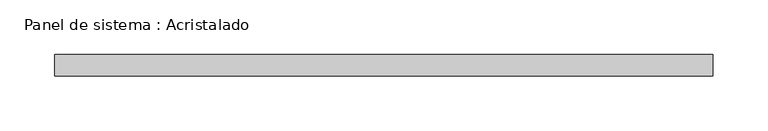
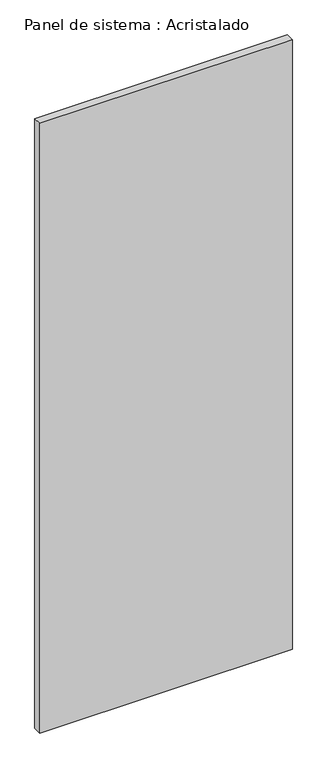
"""IFC4 building model written with IfcOpenShell, lengths in millimetres: plate geometry, Panel de sistema : Acristalado."""

import ifcopenshell
import ifcopenshell.guid

model = None  # the IFC model being written
_history = None  # IfcOwnerHistory: only IFC2X3 demands one
_inside = {}  # id of a spatial element -> (the spatial element, [elements in it])
_under = {}  # id of a project, library or spatial element -> (it, [spatial elements below it])
_declared = {}  # id of a project -> (the project, [libraries it declares])
_typed = {}  # id of a type object -> (the type object, [elements of that type])
_made_of = {}  # id of a material, layer set ... -> (it, [elements and type objects made of it])


def new_model(schema):
    """Start an empty IFC model of exactly this schema.

    Asked for "IFC4X3", IfcOpenShell would pick the latest addendum, in which some entities
    have other attributes; the version numbers below select the first issue.
    IFC2X3 requires an IfcOwnerHistory on every rooted entity: one is made here for all.
    """
    global model, _history
    if schema == "IFC4X3":
        model = ifcopenshell.file(schema_version=(4, 3, 0, 0))
    else:
        model = ifcopenshell.file(schema=schema)
    _inside.clear()
    _under.clear()
    _declared.clear()
    _typed.clear()
    _made_of.clear()
    _history = None
    if model.schema == "IFC2X3":
        org = make("IfcOrganization", Name="unknown")
        user = make(
            "IfcPersonAndOrganization",
            ThePerson=make("IfcPerson", FamilyName="unknown"),
            TheOrganization=org,
        )
        app = make(
            "IfcApplication",
            ApplicationDeveloper=org,
            Version="unknown",
            ApplicationFullName="unknown",
            ApplicationIdentifier="unknown",
        )
        _history = make(
            "IfcOwnerHistory",
            OwningUser=user,
            OwningApplication=app,
            ChangeAction="ADDED",
            CreationDate=0,
        )
    return model


def make(cls, **values):
    """One entity of the class cls with the attributes given. An attribute that is None is left unset."""
    return model.create_entity(
        cls, **{name: value for name, value in values.items() if value is not None}
    )


def rooted(cls, **values):
    """An entity with a GlobalId (a new one), such as an element, a storey or a relation."""
    return make(cls, GlobalId=ifcopenshell.guid.new(), OwnerHistory=_history, **values)


def si_unit(unit_type, name, prefix=None):
    """IfcSIUnit, for example si_unit("LENGTHUNIT", "METRE", prefix="MILLI")."""
    return make("IfcSIUnit", UnitType=unit_type, Prefix=prefix, Name=name)


def assignment(units):
    """IfcUnitAssignment: the units of a project."""
    return None if units is None else make("IfcUnitAssignment", Units=units)


def point(xyz):
    """IfcCartesianPoint."""
    return None if xyz is None else make("IfcCartesianPoint", Coordinates=xyz)


def direction(xyz):
    """IfcDirection."""
    return None if xyz is None else make("IfcDirection", DirectionRatios=xyz)


def frame(location, z_axis=None, x_axis=None):
    """IfcAxis2Placement3D, a coordinate frame: its origin and axes. An axis left out is left unset."""
    return make(
        "IfcAxis2Placement3D",
        Location=point(location),
        Axis=direction(z_axis),
        RefDirection=direction(x_axis),
    )


def origin():
    """The frame at (0, 0, 0) with its axes left unset."""
    return frame((0.0, 0.0, 0.0))


def origin_with_axes():
    """The frame at (0, 0, 0) with the z axis (0, 0, 1) and the x axis (1, 0, 0) written out."""
    return frame((0.0, 0.0, 0.0), z_axis=(0.0, 0.0, 1.0), x_axis=(1.0, 0.0, 0.0))


def place(relative_to, where):
    """IfcLocalPlacement: puts the frame where relative to a parent placement (None: the world)."""
    return make(
        "IfcLocalPlacement", PlacementRelTo=relative_to, RelativePlacement=where
    )


def context(
    kind, dimensions, precision=None, world=None, true_north=None, identifier=None
):
    """IfcGeometricRepresentationContext, for example the 3D "Model" context."""
    return make(
        "IfcGeometricRepresentationContext",
        ContextIdentifier=identifier,
        ContextType=kind,
        CoordinateSpaceDimension=dimensions,
        Precision=precision,
        WorldCoordinateSystem=world,
        TrueNorth=true_north,
    )


def project(units=None, contexts=None):
    """IfcProject with its units and contexts."""
    return rooted(
        "IfcProject",
        Name="project",
        RepresentationContexts=contexts,
        UnitsInContext=assignment(units),
    )


def spatial(cls, under=None, at=None, **own):
    """A site, building, storey or space (cls), placed at a placement, below another one or the project."""
    s = rooted(cls, ObjectPlacement=at, **own)
    if under is not None:
        _under.setdefault(under.id(), (under, []))[1].append(s)
    return s


def polyline(points):
    """IfcPolyline through the points."""
    return make("IfcPolyline", Points=[point(p) for p in points])


def outline(outer, holes=None, kind="AREA"):
    """IfcArbitraryClosedProfileDef: a profile drawn as a closed curve; with holes, ...WithVoids."""
    if holes is None:
        return make("IfcArbitraryClosedProfileDef", ProfileType=kind, OuterCurve=outer)
    return make(
        "IfcArbitraryProfileDefWithVoids",
        ProfileType=kind,
        OuterCurve=outer,
        InnerCurves=holes,
    )


def extrude(swept, where, along, depth):
    """IfcExtrudedAreaSolid: the profile swept, set in the frame where, extruded along a direction by depth."""
    return make(
        "IfcExtrudedAreaSolid",
        SweptArea=swept,
        Position=where,
        ExtrudedDirection=direction(along),
        Depth=depth,
    )


def shape(context_of_items, identifier, shape_type, items):
    """IfcShapeRepresentation: the items that make up one representation, for example the "Body"."""
    return make(
        "IfcShapeRepresentation",
        ContextOfItems=context_of_items,
        RepresentationIdentifier=identifier,
        RepresentationType=shape_type,
        Items=items,
    )


def source(mapping_origin, context_of_items, identifier, shape_type, items):
    """IfcRepresentationMap: a shape defined once, which mapped items show again and again."""
    return make(
        "IfcRepresentationMap",
        MappingOrigin=mapping_origin,
        MappedRepresentation=shape(context_of_items, identifier, shape_type, items),
    )


def transform(
    local_origin,
    x_axis=None,
    y_axis=None,
    z_axis=None,
    scale=None,
    scale2=None,
    scale3=None,
    uniform=True,
):
    """IfcCartesianTransformationOperator3D, or its non-uniform kind. x_axis, y_axis, z_axis: its Axis1, 2, 3."""
    if uniform:
        return make(
            "IfcCartesianTransformationOperator3D",
            Axis1=direction(x_axis),
            Axis2=direction(y_axis),
            LocalOrigin=point(local_origin),
            Scale=scale,
            Axis3=direction(z_axis),
        )
    return make(
        "IfcCartesianTransformationOperator3DnonUniform",
        Axis1=direction(x_axis),
        Axis2=direction(y_axis),
        LocalOrigin=point(local_origin),
        Scale=scale,
        Axis3=direction(z_axis),
        Scale2=scale2,
        Scale3=scale3,
    )


def mapped(mapping_source, mapping_target):
    """IfcMappedItem: shows the shape of a source again, moved by a transform."""
    return make(
        "IfcMappedItem", MappingSource=mapping_source, MappingTarget=mapping_target
    )


def made_of(thing, what):
    """Note that an element or type object is made of a material, layer set ...; save() writes the relation."""
    if what is not None:
        _made_of.setdefault(what.id(), (what, []))[1].append(thing)
    return thing


def element(
    cls,
    number,
    at=None,
    inside=None,
    cuts=None,
    type_object=None,
    material=None,
    context=None,
    identifier="Body",
    shape_type=None,
    held_by="IfcProductDefinitionShape",
    body=None,
    shapes=None,
    **own,
):
    """One element of the class cls, such as IfcWall. Its Tag is "e" and its number.

    at: its placement. inside: the storey or other place that contains it. cuts: it is an
    opening in that element (IfcRelVoidsElement). A single representation is given by context,
    identifier, shape_type and body (its items); several are given by shapes. held_by: the class
    of the entity that holds the representations. save() writes the other relations.
    """
    e = rooted(cls, Tag="e%d" % number, ObjectPlacement=at, **own)
    if body is not None:
        shapes = [shape(context, identifier, shape_type, body)]
    if shapes is not None:
        e.Representation = make(held_by, Representations=shapes)
    if inside is not None:
        _inside.setdefault(inside.id(), (inside, []))[1].append(e)
    if cuts is not None:
        rooted(
            "IfcRelVoidsElement", RelatingBuildingElement=cuts, RelatedOpeningElement=e
        )
    if type_object is not None:
        _typed.setdefault(type_object.id(), (type_object, []))[1].append(e)
    return made_of(e, material)


def aggregate(whole, parts):
    """IfcRelAggregates: a whole, such as a stair, and the parts it consists of."""
    return rooted("IfcRelAggregates", RelatingObject=whole, RelatedObjects=parts)


def save(model, path):
    """Write the relations noted so far, then the file.

    IfcRelAggregates (storeys below a building ...), IfcRelContainedInSpatialStructure (elements
    in a storey), IfcRelDefinesByType, IfcRelAssociatesMaterial and IfcRelDeclares: one each for
    every whole, place, type object, material and project.
    """
    for whole, parts in _under.values():
        aggregate(whole, parts)
    for where, things in _inside.values():
        rooted(
            "IfcRelContainedInSpatialStructure",
            RelatedElements=things,
            RelatingStructure=where,
        )
    for kind, things in _typed.values():
        rooted("IfcRelDefinesByType", RelatedObjects=things, RelatingType=kind)
    for what, things in _made_of.values():
        rooted("IfcRelAssociatesMaterial", RelatedObjects=things, RelatingMaterial=what)
    for by, libraries in _declared.values():
        rooted("IfcRelDeclares", RelatingContext=by, RelatedDefinitions=libraries)
    model.write(path)


def panel_de_sistema_acristalado_ab500654(model_context):
    return source(origin(), model_context, "Body", "SweptSolid", [
        extrude(outline(polyline([(301.5, -10.0), (-301.5, -10.0), (-301.5, 10.0), (301.5, 10.0), (301.5, -10.0)])), origin_with_axes(), (0.0, 0.0, 1.0), 1537.5081994),
    ])


if __name__ == "__main__":
    model = new_model("IFC4")
    model_context = context("Model", 3, world=origin())
    ifc_project = project(units=[si_unit("LENGTHUNIT", "METRE", prefix="MILLI")], contexts=[model_context])
    site = spatial("IfcSite", under=ifc_project)
    building = spatial("IfcBuilding", under=site)
    placement = place(None, origin())
    panel_de_sistema_acristalado_shape = panel_de_sistema_acristalado_ab500654(model_context)
    element("IfcPlate", 1, ObjectType="Panel de sistema : Acristalado", at=placement, inside=building, context=model_context, shape_type="MappedRepresentation", body=[
        mapped(panel_de_sistema_acristalado_shape, transform((0.0, 0.0, 0.0), x_axis=(1.0, 0.0, 0.0), y_axis=(0.0, 1.0, 0.0), z_axis=(0.0, 0.0, 1.0))),
    ])
    save(model, "model.ifc")
